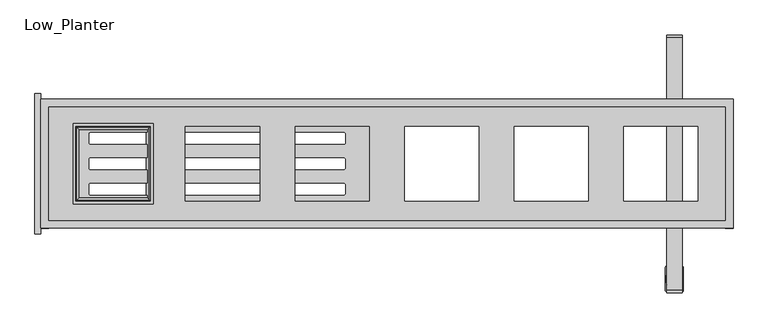
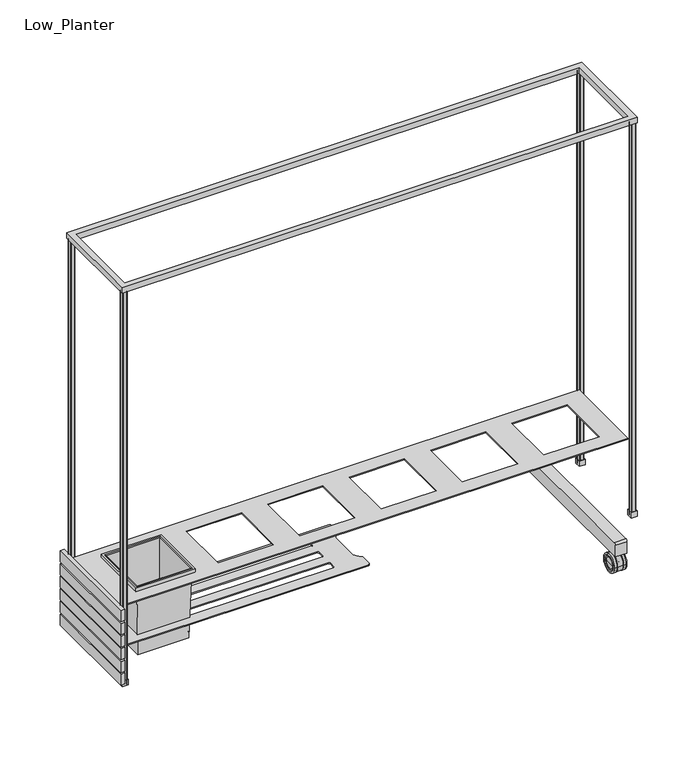
"""IFC4 building model written with IfcOpenShell, lengths in millimetres: furniture geometry, Low_Planter."""

from ifc_helpers import new_model, si_unit, point, frame, frame_2d, origin, place, context, project, spatial, polyline, circle_curve, ellipse_curve, trimmed, segment, composite_curve, outline, extrude, source, transform, mapped, element, save
from ifc_brep_helpers import plane_surface, cylinder_surface, revolved_surface, advanced_brep


def low_planter_9ff8a049(model_context):
    return source(origin(), model_context, "Body", "SolidModel", [
        advanced_brep(
        [(755.184493, -314.6583204, 33.3375), (755.184493, -275.3179942, 33.3375), (756.254365, -294.9881573, 33.3375), (755.8633212, -318.8171529, 33.3375), (755.8633212, -271.1591617, 33.3375), (757.7696196, -322.8735065, 33.3375), (757.7696196, -267.1028081, 33.3375), (754.7850467, -327.3100018, 33.3375), (754.7850467, -262.6663128, 33.3375), (746.259685, -327.3100018, 33.3375), (746.259685, -262.6663128, 33.3375), (744.9615248, -326.0118415, 33.3375), (744.9615248, -263.9644731, 33.3375), (744.9615248, -305.1400543, 33.3375), (744.9615248, -284.8362603, 33.3375), (744.0, -305.1400543, 33.3375), (744.0, -284.8362603, 33.3375), (744.0, -326.1400543, 33.3375), (744.0, -263.8362603, 33.3375), (726.0, -326.1400543, 33.3375), (726.0, -263.8362603, 33.3375), (726.0, -305.1400543, 33.3375), (726.0, -284.8362603, 33.3375), (724.9867609, -305.1400543, 33.3375), (724.9867609, -284.8362603, 33.3375), (724.9867609, -326.0118415, 33.3375), (724.9867609, -263.9644731, 33.3375), (723.6886006, -327.3100018, 33.3375), (723.6886006, -262.6663128, 33.3375), (715.163239, -327.3100018, 33.3375), (715.163239, -262.6663128, 33.3375), (712.178666, -322.8735065, 33.3375), (712.178666, -267.1028081, 33.3375), (714.0849645, -318.8171529, 33.3375), (714.0849645, -271.1591617, 33.3375), (714.7637927, -314.6583204, 33.3375), (714.7637927, -275.3179942, 33.3375), (713.6939206, -294.9881573, 33.3375)],
        [
            (0, 1, circle_curve(frame((755.184493, -294.9881573, 33.3375), z_axis=(1.0, 0.0, 0.0), x_axis=(0.0, 1.0, 0.0)), 19.6701631)),
            (1, 2, circle_curve(frame((670.0444421, -289.81299, 33.3375), z_axis=(0.0, 0.0, -1.0), x_axis=(-1.0, 0.0, 0.0)), 86.3651154)),
            (2, 0, circle_curve(frame((670.0444421, -300.1633246, 33.3375), z_axis=(0.0, 0.0, -1.0), x_axis=(-1.0, 0.0, 0.0)), 86.3651154)),
            (1, 0, circle_curve(frame((755.184493, -294.9881573, 33.3375), z_axis=(1.0, 0.0, 0.0), x_axis=(0.0, 1.0, 0.0)), 19.6701631)),
            (3, 4, circle_curve(frame((755.8633212, -294.9881573, 33.3375), z_axis=(1.0, 0.0, 0.0), x_axis=(0.0, 1.0, 0.0)), 23.8289956)),
            (4, 1, circle_curve(frame((761.5862333, -274.2281053, 33.3375), z_axis=(0.0, 0.0, 1.0), x_axis=(-1.0, 0.0, 0.0)), 6.4938538)),
            (0, 3, circle_curve(frame((761.5862333, -315.7482093, 33.3375), z_axis=(0.0, 0.0, 1.0), x_axis=(-1.0, 0.0, 0.0)), 6.4938538)),
            (4, 3, circle_curve(frame((755.8633212, -294.9881573, 33.3375), z_axis=(1.0, 0.0, 0.0), x_axis=(0.0, 1.0, 0.0)), 23.8289956)),
            (5, 6, circle_curve(frame((757.7696196, -294.9881573, 33.3375), z_axis=(1.0, 0.0, 0.0), x_axis=(0.0, 1.0, 0.0)), 27.8853492)),
            (6, 4, circle_curve(frame((718.5172692, -251.1321331, 33.3375), z_axis=(0.0, 0.0, -1.0), x_axis=(-1.0, 0.0, 0.0)), 42.3769923)),
            (3, 5, circle_curve(frame((718.5172692, -338.8441815, 33.3375), z_axis=(0.0, 0.0, -1.0), x_axis=(-1.0, 0.0, 0.0)), 42.3769923)),
            (6, 5, circle_curve(frame((757.7696196, -294.9881573, 33.3375), z_axis=(1.0, 0.0, 0.0), x_axis=(0.0, 1.0, 0.0)), 27.8853492)),
            (7, 8, circle_curve(frame((754.7850467, -294.9881573, 33.3375), z_axis=(1.0, 0.0, 0.0), x_axis=(0.0, 1.0, 0.0)), 32.3218445)),
            (8, 6, circle_curve(frame((754.7850467, -265.8884695, 33.3375), z_axis=(0.0, 0.0, -1.0), x_axis=(-1.0, 0.0, 0.0)), 3.2221567)),
            (5, 7, circle_curve(frame((754.7850467, -324.0878451, 33.3375), z_axis=(0.0, 0.0, -1.0), x_axis=(-1.0, 0.0, 0.0)), 3.2221567)),
            (8, 7, circle_curve(frame((754.7850467, -294.9881573, 33.3375), z_axis=(1.0, 0.0, 0.0), x_axis=(0.0, 1.0, 0.0)), 32.3218445)),
            (9, 10, circle_curve(frame((746.259685, -294.9881573, 33.3375), z_axis=(1.0, 0.0, 0.0), x_axis=(0.0, 1.0, 0.0)), 32.3218445)),
            (10, 8),
            (7, 9),
            (10, 9, circle_curve(frame((746.259685, -294.9881573, 33.3375), z_axis=(1.0, 0.0, 0.0), x_axis=(0.0, 1.0, 0.0)), 32.3218445)),
            (11, 12, circle_curve(frame((744.9615248, -294.9881573, 33.3375), z_axis=(1.0, 0.0, 0.0), x_axis=(0.0, 1.0, 0.0)), 31.0236842)),
            (12, 10, circle_curve(frame((746.259685, -263.9644731, 33.3375), z_axis=(0.0, 0.0, -1.0), x_axis=(-1.0, 0.0, 0.0)), 1.2981602)),
            (9, 11, circle_curve(frame((746.259685, -326.0118415, 33.3375), z_axis=(0.0, 0.0, -1.0), x_axis=(-1.0, 0.0, 0.0)), 1.2981602)),
            (12, 11, circle_curve(frame((744.9615248, -294.9881573, 33.3375), z_axis=(1.0, 0.0, 0.0), x_axis=(0.0, 1.0, 0.0)), 31.0236842)),
            (13, 14, circle_curve(frame((744.9615248, -294.9881573, 33.3375), z_axis=(1.0, 0.0, 0.0), x_axis=(0.0, 1.0, 0.0)), 10.151897)),
            (14, 12),
            (11, 13),
            (14, 13, circle_curve(frame((744.9615248, -294.9881573, 33.3375), z_axis=(1.0, 0.0, 0.0), x_axis=(0.0, 1.0, 0.0)), 10.151897)),
            (15, 16, circle_curve(frame((744.0, -294.9881573, 33.3375), z_axis=(1.0, 0.0, 0.0), x_axis=(0.0, 1.0, 0.0)), 10.151897)),
            (16, 14),
            (13, 15),
            (16, 15, circle_curve(frame((744.0, -294.9881573, 33.3375), z_axis=(1.0, 0.0, 0.0), x_axis=(0.0, 1.0, 0.0)), 10.151897)),
            (17, 18, circle_curve(frame((744.0, -294.9881573, 33.3375), z_axis=(1.0, 0.0, 0.0), x_axis=(0.0, 1.0, 0.0)), 31.151897)),
            (18, 16),
            (15, 17),
            (18, 17, circle_curve(frame((744.0, -294.9881573, 33.3375), z_axis=(1.0, 0.0, 0.0), x_axis=(0.0, 1.0, 0.0)), 31.151897)),
            (19, 20, circle_curve(frame((726.0, -294.9881573, 33.3375), z_axis=(1.0, 0.0, 0.0), x_axis=(0.0, 1.0, 0.0)), 31.151897)),
            (20, 18),
            (17, 19),
            (20, 19, circle_curve(frame((726.0, -294.9881573, 33.3375), z_axis=(1.0, 0.0, 0.0), x_axis=(0.0, 1.0, 0.0)), 31.151897)),
            (21, 22, circle_curve(frame((726.0, -294.9881573, 33.3375), z_axis=(1.0, 0.0, 0.0), x_axis=(0.0, 1.0, 0.0)), 10.151897)),
            (22, 20),
            (19, 21),
            (22, 21, circle_curve(frame((726.0, -294.9881573, 33.3375), z_axis=(1.0, 0.0, 0.0), x_axis=(0.0, 1.0, 0.0)), 10.151897)),
            (23, 24, circle_curve(frame((724.9867609, -294.9881573, 33.3375), z_axis=(1.0, 0.0, 0.0), x_axis=(0.0, 1.0, 0.0)), 10.151897)),
            (24, 22),
            (21, 23),
            (24, 23, circle_curve(frame((724.9867609, -294.9881573, 33.3375), z_axis=(1.0, 0.0, 0.0), x_axis=(0.0, 1.0, 0.0)), 10.151897)),
            (25, 26, circle_curve(frame((724.9867609, -294.9881573, 33.3375), z_axis=(1.0, 0.0, 0.0), x_axis=(0.0, 1.0, 0.0)), 31.0236842)),
            (26, 24),
            (23, 25),
            (26, 25, circle_curve(frame((724.9867609, -294.9881573, 33.3375), z_axis=(1.0, 0.0, 0.0), x_axis=(0.0, 1.0, 0.0)), 31.0236842)),
            (27, 28, circle_curve(frame((723.6886006, -294.9881573, 33.3375), z_axis=(1.0, 0.0, 0.0), x_axis=(0.0, 1.0, 0.0)), 32.3218445)),
            (28, 26, circle_curve(frame((723.6886006, -263.9644731, 33.3375), z_axis=(0.0, 0.0, -1.0), x_axis=(1.0, 0.0, 0.0)), 1.2981602)),
            (25, 27, circle_curve(frame((723.6886006, -326.0118415, 33.3375), z_axis=(0.0, 0.0, -1.0), x_axis=(1.0, 0.0, 0.0)), 1.2981602)),
            (28, 27, circle_curve(frame((723.6886006, -294.9881573, 33.3375), z_axis=(1.0, 0.0, 0.0), x_axis=(0.0, 1.0, 0.0)), 32.3218445)),
            (29, 30, circle_curve(frame((715.163239, -294.9881573, 33.3375), z_axis=(1.0, 0.0, 0.0), x_axis=(0.0, 1.0, 0.0)), 32.3218445)),
            (30, 28),
            (27, 29),
            (30, 29, circle_curve(frame((715.163239, -294.9881573, 33.3375), z_axis=(1.0, 0.0, 0.0), x_axis=(0.0, 1.0, 0.0)), 32.3218445)),
            (31, 32, circle_curve(frame((712.178666, -294.9881573, 33.3375), z_axis=(1.0, 0.0, 0.0), x_axis=(0.0, 1.0, 0.0)), 27.8853492)),
            (32, 30, circle_curve(frame((715.163239, -265.8884695, 33.3375), z_axis=(0.0, 0.0, -1.0), x_axis=(1.0, 0.0, 0.0)), 3.2221567)),
            (29, 31, circle_curve(frame((715.163239, -324.0878451, 33.3375), z_axis=(0.0, 0.0, -1.0), x_axis=(1.0, 0.0, 0.0)), 3.2221567)),
            (32, 31, circle_curve(frame((712.178666, -294.9881573, 33.3375), z_axis=(1.0, 0.0, 0.0), x_axis=(0.0, 1.0, 0.0)), 27.8853492)),
            (33, 34, circle_curve(frame((714.0849645, -294.9881573, 33.3375), z_axis=(1.0, 0.0, 0.0), x_axis=(0.0, 1.0, 0.0)), 23.8289956)),
            (34, 32, circle_curve(frame((751.4310165, -251.1321331, 33.3375), z_axis=(0.0, 0.0, -1.0), x_axis=(1.0, 0.0, 0.0)), 42.3769923)),
            (31, 33, circle_curve(frame((751.4310165, -338.8441815, 33.3375), z_axis=(0.0, 0.0, -1.0), x_axis=(1.0, 0.0, 0.0)), 42.3769923)),
            (34, 33, circle_curve(frame((714.0849645, -294.9881573, 33.3375), z_axis=(1.0, 0.0, 0.0), x_axis=(0.0, 1.0, 0.0)), 23.8289956)),
            (35, 36, circle_curve(frame((714.7637927, -294.9881573, 33.3375), z_axis=(1.0, 0.0, 0.0), x_axis=(0.0, 1.0, 0.0)), 19.6701631)),
            (36, 34, circle_curve(frame((708.3620524, -274.2281053, 33.3375), z_axis=(0.0, 0.0, 1.0), x_axis=(1.0, 0.0, 0.0)), 6.4938538)),
            (33, 35, circle_curve(frame((708.3620524, -315.7482093, 33.3375), z_axis=(0.0, 0.0, 1.0), x_axis=(1.0, 0.0, 0.0)), 6.4938538)),
            (36, 35, circle_curve(frame((714.7637927, -294.9881573, 33.3375), z_axis=(1.0, 0.0, 0.0), x_axis=(0.0, 1.0, 0.0)), 19.6701631)),
            (37, 36, circle_curve(frame((799.9038436, -289.81299, 33.3375), z_axis=(0.0, 0.0, -1.0), x_axis=(1.0, 0.0, 0.0)), 86.3651154)),
            (35, 37, circle_curve(frame((799.9038436, -300.1633246, 33.3375), z_axis=(0.0, 0.0, -1.0), x_axis=(1.0, 0.0, 0.0)), 86.3651154)),
        ],
        [
            revolved_surface(trimmed(ellipse_curve(frame((670.0444421, -289.81299, 33.3375), z_axis=(0.0, 0.0, 1.0), x_axis=(-1.0, 0.0, 0.0)), 86.3651154, 86.3651154), [point((756.254365, -294.9881573, 33.3375))], [point((755.184493, -275.3179942, 33.3375))], True, "CARTESIAN"), (735.8288688, -294.9881573, 33.3375), (-1.0, 0.0, 0.0)),
            revolved_surface(trimmed(ellipse_curve(frame((761.5862333, -274.2281053, 33.3375), z_axis=(0.0, 0.0, -1.0), x_axis=(-1.0, 0.0, 0.0)), 6.4938538, 6.4938538), [point((755.184493, -275.3179942, 33.3375))], [point((755.8633212, -271.1591617, 33.3375))], True, "CARTESIAN"), (735.8288688, -294.9881573, 33.3375), (-1.0, 0.0, 0.0)),
            revolved_surface(trimmed(ellipse_curve(frame((718.5172692, -251.1321331, 33.3375), z_axis=(0.0, 0.0, 1.0), x_axis=(-1.0, 0.0, 0.0)), 42.3769923, 42.3769923), [point((755.8633212, -271.1591617, 33.3375))], [point((757.7696196, -267.1028081, 33.3375))], True, "CARTESIAN"), (735.8288688, -294.9881573, 33.3375), (-1.0, 0.0, 0.0)),
            revolved_surface(trimmed(ellipse_curve(frame((754.7850467, -265.8884695, 33.3375), z_axis=(0.0, 0.0, 1.0), x_axis=(-1.0, 0.0, 0.0)), 3.2221567, 3.2221567), [point((757.7696196, -267.1028081, 33.3375))], [point((754.7850467, -262.6663128, 33.3375))], True, "CARTESIAN"), (735.8288688, -294.9881573, 33.3375), (-1.0, 0.0, 0.0)),
            cylinder_surface(frame((735.8288688, -294.9881573, 33.3375), z_axis=(-1.0, 0.0, 0.0), x_axis=(0.0, 1.0, 0.0)), 32.3218445),
            revolved_surface(trimmed(ellipse_curve(frame((746.259685, -263.9644731, 33.3375), z_axis=(0.0, 0.0, 1.0), x_axis=(-1.0, 0.0, 0.0)), 1.2981602, 1.2981602), [point((746.259685, -262.6663128, 33.3375))], [point((744.9615248, -263.9644731, 33.3375))], True, "CARTESIAN"), (735.8288688, -294.9881573, 33.3375), (-1.0, 0.0, 0.0)),
            plane_surface(frame((744.9615248, -294.9881573, 33.3375), z_axis=(-1.0, 0.0, 0.0), x_axis=(0.0, 1.0, 0.0))),
            cylinder_surface(frame((735.8288688, -294.9881573, 33.3375), z_axis=(-1.0, 0.0, 0.0), x_axis=(0.0, 1.0, 0.0)), 10.151897),
            plane_surface(frame((744.0, -294.9881573, 33.3375), z_axis=(1.0, 0.0, 0.0), x_axis=(0.0, 1.0, 0.0))),
            cylinder_surface(frame((735.8288688, -294.9881573, 33.3375), z_axis=(-1.0, 0.0, 0.0), x_axis=(0.0, 1.0, 0.0)), 31.151897),
            plane_surface(frame((726.0, -294.9881573, 33.3375), z_axis=(-1.0, 0.0, 0.0), x_axis=(0.0, 1.0, 0.0))),
            plane_surface(frame((724.9867609, -294.9881573, 33.3375), z_axis=(1.0, 0.0, 0.0), x_axis=(0.0, 1.0, 0.0))),
            revolved_surface(trimmed(ellipse_curve(frame((723.6886006, -263.9644731, 33.3375), z_axis=(0.0, 0.0, 1.0), x_axis=(1.0, 0.0, 0.0)), 1.2981602, 1.2981602), [point((724.9867609, -263.9644731, 33.3375))], [point((723.6886006, -262.6663128, 33.3375))], True, "CARTESIAN"), (735.8288688, -294.9881573, 33.3375), (-1.0, 0.0, 0.0)),
            revolved_surface(trimmed(ellipse_curve(frame((715.163239, -265.8884695, 33.3375), z_axis=(0.0, 0.0, 1.0), x_axis=(1.0, 0.0, 0.0)), 3.2221567, 3.2221567), [point((715.163239, -262.6663128, 33.3375))], [point((712.178666, -267.1028081, 33.3375))], True, "CARTESIAN"), (735.8288688, -294.9881573, 33.3375), (-1.0, 0.0, 0.0)),
            revolved_surface(trimmed(ellipse_curve(frame((751.4310165, -251.1321331, 33.3375), z_axis=(0.0, 0.0, 1.0), x_axis=(1.0, 0.0, 0.0)), 42.3769923, 42.3769923), [point((712.178666, -267.1028081, 33.3375))], [point((714.0849645, -271.1591617, 33.3375))], True, "CARTESIAN"), (735.8288688, -294.9881573, 33.3375), (-1.0, 0.0, 0.0)),
            revolved_surface(trimmed(ellipse_curve(frame((708.3620524, -274.2281053, 33.3375), z_axis=(0.0, 0.0, -1.0), x_axis=(1.0, 0.0, 0.0)), 6.4938538, 6.4938538), [point((714.0849645, -271.1591617, 33.3375))], [point((714.7637927, -275.3179942, 33.3375))], True, "CARTESIAN"), (735.8288688, -294.9881573, 33.3375), (-1.0, 0.0, 0.0)),
            revolved_surface(trimmed(ellipse_curve(frame((799.9038436, -289.81299, 33.3375), z_axis=(0.0, 0.0, 1.0), x_axis=(1.0, 0.0, 0.0)), 86.3651154, 86.3651154), [point((714.7637927, -275.3179942, 33.3375))], [point((713.6939206, -294.9881573, 33.3375))], True, "CARTESIAN"), (735.8288688, -294.9881573, 33.3375), (-1.0, 0.0, 0.0)),
        ],
        [
            (0, [[1, 2, 3]]),
            (0, [[4, -3, -2]]),
            (1, [[5, 6, -1, 7]]),
            (1, [[8, -7, -4, -6]]),
            (2, [[9, 10, -5, 11]]),
            (2, [[12, -11, -8, -10]]),
            (3, [[13, 14, -9, 15]]),
            (3, [[16, -15, -12, -14]]),
            (4, [[17, 18, -13, 19]]),
            (4, [[20, -19, -16, -18]]),
            (5, [[21, 22, -17, 23]]),
            (5, [[24, -23, -20, -22]]),
            (6, [[25, 26, -21, 27]]),
            (6, [[28, -27, -24, -26]]),
            (7, [[29, 30, -25, 31]]),
            (7, [[32, -31, -28, -30]]),
            (8, [[33, 34, -29, 35]]),
            (8, [[36, -35, -32, -34]]),
            (9, [[37, 38, -33, 39]]),
            (9, [[40, -39, -36, -38]]),
            (10, [[41, 42, -37, 43]]),
            (10, [[44, -43, -40, -42]]),
            (7, [[45, 46, -41, 47]]),
            (7, [[48, -47, -44, -46]]),
            (11, [[49, 50, -45, 51]]),
            (11, [[52, -51, -48, -50]]),
            (12, [[53, 54, -49, 55]]),
            (12, [[56, -55, -52, -54]]),
            (4, [[57, 58, -53, 59]]),
            (4, [[60, -59, -56, -58]]),
            (13, [[61, 62, -57, 63]]),
            (13, [[64, -63, -60, -62]]),
            (14, [[65, 66, -61, 67]]),
            (14, [[68, -67, -64, -66]]),
            (15, [[69, 70, -65, 71]]),
            (15, [[72, -71, -68, -70]]),
            (16, [[73, -69, 74]]),
            (16, [[-74, -72, -73]]),
        ],
    ),
        extrude(outline(composite_curve([segment(polyline([(-250.0, 76.4987302), (250.0, 76.4987302), (250.0, 74.9637326)]), True, "CONTINUOUS"), segment(trimmed(circle_curve(frame_2d((245.0, 74.9637326)), 5.0), [point((250.0, 74.9637326))], [point((246.7556172, 70.2820867))], False, "CARTESIAN"), True, "CONTINUOUS"), segment(polyline([(246.7556172, 70.2820867), (210.0, 56.4987302), (-210.1895526, 56.4987302), (-246.5320214, 70.127156)]), True, "CONTINUOUS"), segment(trimmed(circle_curve(frame_2d((-244.6554109, 75.1314508)), 5.3445891), [point((-246.5320214, 70.127156))], [point((-250.0, 75.1314508))], False, "CARTESIAN"), True, "CONTINUOUS"), segment(polyline([(-250.0, 75.1314508), (-250.0, 76.4987302)]), True, "CONTINUOUS")], self_intersect=False)), frame((731.767842, 0.0, 0.0), z_axis=(1.0, 0.0, 0.0), x_axis=(0.0, 1.0, 0.0)), (0.0, 0.0, 1.0), 6.1074091),
        extrude(outline(composite_curve([segment(polyline([(-323.65, 124.6649475), (323.5383968, 124.6649475)]), True, "CONTINUOUS"), segment(trimmed(circle_curve(frame_2d((323.5383968, 118.3149475)), 6.35), [point((323.5383968, 124.6649475))], [point((329.8883968, 118.3149475))], False, "CARTESIAN"), True, "CONTINUOUS"), segment(polyline([(329.8883968, 118.3149475), (329.8883968, 76.4987302), (-7.0746988, 76.4987302), (-330.0, 76.4987302), (-330.0, 118.3149475)]), True, "CONTINUOUS"), segment(trimmed(circle_curve(frame_2d((-323.65, 118.3149475)), 6.35), [point((-330.0, 118.3149475))], [point((-323.65, 124.6649475))], False, "CARTESIAN"), True, "CONTINUOUS")], self_intersect=False)), frame((715.0, 0.0, 0.0), z_axis=(1.0, 0.0, 0.0), x_axis=(0.0, 1.0, 0.0)), (0.0, 0.0, 1.0), 39.7344665),
        extrude(outline(polyline([(-865.0, 165.0), (-865.0, 145.0), (-885.0, 145.0), (-885.0, 165.0), (-865.0, 165.0)]), holes=[polyline([(-866.5, 163.5), (-883.5, 163.5), (-883.5, 146.5), (-866.5, 146.5), (-866.5, 163.5)])]), frame((0.0, 0.0, 64.4987302), z_axis=(0.0, 0.0, 1.0), x_axis=(1.0, 0.0, 0.0)), (0.0, 0.0, 1.0), 19.5),
        extrude(outline(polyline([(-865.0, -165.0), (-885.0, -165.0), (-885.0, -145.0), (-865.0, -145.0), (-865.0, -165.0)]), holes=[polyline([(-866.5, -163.5), (-866.5, -146.5), (-883.5, -146.5), (-883.5, -163.5), (-866.5, -163.5)])]), frame((0.0, 0.0, 64.4987302), z_axis=(0.0, 0.0, 1.0), x_axis=(1.0, 0.0, 0.0)), (0.0, 0.0, 1.0), 19.5),
        extrude(outline(polyline([(865.0, 165.0), (885.0, 165.0), (885.0, 145.0), (865.0, 145.0), (865.0, 165.0)]), holes=[polyline([(866.5, 163.5), (866.5, 146.5), (883.5, 146.5), (883.5, 163.5), (866.5, 163.5)])]), frame((0.0, 0.0, 64.4987302), z_axis=(0.0, 0.0, 1.0), x_axis=(1.0, 0.0, 0.0)), (0.0, 0.0, 1.0), 19.5),
        extrude(outline(polyline([(865.0, -165.0), (865.0, -145.0), (885.0, -145.0), (885.0, -165.0), (865.0, -165.0)]), holes=[polyline([(866.5, -163.5), (883.5, -163.5), (883.5, -146.5), (866.5, -146.5), (866.5, -163.5)])]), frame((0.0, 0.0, 64.4987302), z_axis=(0.0, 0.0, 1.0), x_axis=(1.0, 0.0, 0.0)), (0.0, 0.0, 1.0), 19.5),
        advanced_brep(
        [(-599.8170914, 100.1829086, 352.4436917), (-599.4853441, 100.5146559, 342.9436917), (-599.4853441, -100.5146559, 342.9436917), (-599.8170914, -100.1829086, 352.4436917), (-605.5409135, 94.4590865, 350.2723738), (-603.3126853, 96.6873147, 352.4436917), (-603.3126853, -96.6873147, 352.4436917), (-605.5409135, -94.4590865, 350.2723738), (-612.031188, 87.968812, 99.4436917), (-612.031188, -87.968812, 99.4436917), (-607.4617098, 92.5382902, 352.2816601), (-614.8527573, 85.1472427, 99.4436917), (-614.8527573, -85.1472427, 99.4436917), (-607.4617098, -92.5382902, 352.2816601), (-604.6627452, 95.3372548, 355.0), (-604.6627452, -95.3372548, 355.0), (-597.484125, 102.515875, 342.9436917), (-597.484125, 102.515875, 355.0), (-597.484125, -102.515875, 355.0), (-597.484125, -102.515875, 342.9436917), (-800.5146559, -100.5146559, 342.9436917), (-800.1829086, -100.1829086, 352.4436917), (-796.6873147, -96.6873147, 352.4436917), (-794.4590865, -94.4590865, 350.2723738), (-787.968812, -87.968812, 99.4436917), (-785.1472427, -85.1472427, 99.4436917), (-792.5382902, -92.5382902, 352.2816601), (-795.3372548, -95.3372548, 355.0), (-802.515875, -102.515875, 355.0), (-802.515875, -102.515875, 342.9436917), (-800.5146559, 100.5146559, 342.9436917), (-800.1829086, 100.1829086, 352.4436917), (-796.6873147, 96.6873147, 352.4436917), (-794.4590865, 94.4590865, 350.2723738), (-787.968812, 87.968812, 99.4436917), (-785.1472427, 85.1472427, 99.4436917), (-792.5382902, 92.5382902, 352.2816601), (-795.3372548, 95.3372548, 355.0), (-802.515875, 102.515875, 355.0), (-802.515875, 102.515875, 342.9436917)],
        [
            (0, 1),
            (1, 2),
            (2, 3),
            (3, 0),
            (4, 5, ellipse_curve(frame((-603.3126853, 96.6873147, 350.2147177), z_axis=(-0.7071067811865475, 0.7071067811865475, 0.0), x_axis=(-0.7071067811865474, -0.7071067811865476, 0.0)), 3.1522453, 2.228974)),
            (5, 6),
            (6, 7, ellipse_curve(frame((-603.3126853, -96.6873147, 350.2147177), z_axis=(-0.7071067811865475, -0.7071067811865475, 0.0), x_axis=(0.7071067811865474, -0.7071067811865476, 0.0)), 3.1522453, 2.228974)),
            (7, 4),
            (8, 4),
            (7, 9),
            (9, 8),
            (10, 11),
            (11, 12),
            (12, 13),
            (13, 10),
            (14, 10, ellipse_curve(frame((-604.6627452, 95.3372548, 352.1998398), z_axis=(0.7071067811865475, -0.7071067811865475, 0.0), x_axis=(0.7071067811865474, 0.7071067811865476, 0.0)), 3.9600246, 2.8001602)),
            (13, 15, ellipse_curve(frame((-604.6627452, -95.3372548, 352.1998398), z_axis=(0.7071067811865475, 0.7071067811865475, 0.0), x_axis=(-0.7071067811865474, 0.7071067811865476, 0.0)), 3.9600246, 2.8001602)),
            (15, 14),
            (16, 17),
            (17, 18),
            (18, 19),
            (19, 16),
            (2, 20),
            (20, 21),
            (21, 3),
            (6, 22),
            (22, 23, ellipse_curve(frame((-796.6873147, -96.6873147, 350.2147177), z_axis=(-0.7071067811865475, 0.7071067811865475, 0.0), x_axis=(-0.7071067811865476, -0.7071067811865474, 0.0)), 3.1522453, 2.228974)),
            (23, 7),
            (23, 24),
            (24, 9),
            (12, 25),
            (25, 26),
            (26, 13),
            (26, 27, ellipse_curve(frame((-795.3372548, -95.3372548, 352.1998398), z_axis=(0.7071067811865475, -0.7071067811865475, 0.0), x_axis=(0.7071067811865476, 0.7071067811865474, 0.0)), 3.9600246, 2.8001602)),
            (27, 15),
            (18, 28),
            (28, 29),
            (29, 19),
            (20, 30),
            (30, 31),
            (31, 21),
            (22, 32),
            (32, 33, ellipse_curve(frame((-796.6873147, 96.6873147, 350.2147177), z_axis=(0.7071067811865475, 0.7071067811865475, 0.0), x_axis=(-0.7071067811865474, 0.7071067811865476, 0.0)), 3.1522453, 2.228974)),
            (33, 23),
            (33, 34),
            (34, 24),
            (25, 35),
            (35, 36),
            (36, 26),
            (36, 37, ellipse_curve(frame((-795.3372548, 95.3372548, 352.1998398), z_axis=(-0.7071067811865475, -0.7071067811865475, 0.0), x_axis=(0.7071067811865474, -0.7071067811865476, 0.0)), 3.9600246, 2.8001602)),
            (37, 27),
            (28, 38),
            (38, 39),
            (39, 29),
            (39, 16),
            (1, 30),
            (0, 31),
            (5, 32),
            (4, 33),
            (8, 34),
            (11, 35),
            (10, 36),
            (14, 37),
            (17, 38),
        ],
        [
            plane_surface(frame((-599.4853441, 100.5146559, 342.9436917), z_axis=(-0.9993908270190965, 0.0, -0.03489949670247725), x_axis=(0.0, -1.0, 0.0))),
            revolved_surface(polyline([(-601.0837113, -98.91628872759341, 350.2147177), (-601.0837113, 98.91628872759343, 350.2147177)]), (-603.3126853, 85.094, 350.2147177), (0.0, -1.0, 0.0)),
            plane_surface(frame((-605.5409135, 94.4590865, 350.2723738), z_axis=(0.9996654016980265, 0.0, -0.025866670599890333), x_axis=(0.0, -1.0, 0.0))),
            plane_surface(frame((-614.8527573, 85.1472427, 99.4436917), z_axis=(-0.9995730085530367, 0.0, 0.02921986605429452), x_axis=(0.0, -1.0, 0.0))),
            cylinder_surface(frame((-604.6627452, 85.094, 352.1998398), z_axis=(0.0, 1.0, 0.0), x_axis=(1.0, 0.0, 0.0)), 2.8001602),
            plane_surface(frame((-597.484125, 102.515875, 355.0), z_axis=(1.0, 0.0, 0.0), x_axis=(0.0, -1.0, 0.0))),
            plane_surface(frame((-599.4853441, -100.5146559, 342.9436917), z_axis=(0.0, 0.9993908270190961, -0.03489949670249076), x_axis=(-1.0, 0.0, 0.0))),
            revolved_surface(polyline([(-798.9162887275934, -98.9162887, 350.2147177), (-601.0837112724066, -98.9162887, 350.2147177)]), (-614.906, -96.6873147, 350.2147177), (-1.0, 0.0, 0.0)),
            plane_surface(frame((-605.5409135, -94.4590865, 350.2723738), z_axis=(0.0, -0.999665401698027, -0.02586667059987682), x_axis=(-1.0, 0.0, 0.0))),
            plane_surface(frame((-614.8527573, -85.1472427, 99.4436917), z_axis=(0.0, 0.9995730085530371, 0.029219866054281007), x_axis=(-1.0, 0.0, 0.0))),
            cylinder_surface(frame((-614.906, -95.3372548, 352.1998398), z_axis=(1.0, 0.0, 0.0), x_axis=(0.0, -1.0, 0.0)), 2.8001602),
            plane_surface(frame((-597.484125, -102.515875, 355.0), z_axis=(0.0, -1.0, 0.0), x_axis=(-1.0, 0.0, 0.0))),
            plane_surface(frame((-800.5146559, -100.5146559, 342.9436917), z_axis=(0.9993908270190957, 0.0, -0.03489949670250427), x_axis=(0.0, 1.0, 0.0))),
            revolved_surface(polyline([(-798.9162887, 98.91628872759341, 350.2147177), (-798.9162887, -98.91628872759343, 350.2147177)]), (-796.6873147, -85.094, 350.2147177), (0.0, 1.0, 0.0)),
            plane_surface(frame((-794.4590865, -94.4590865, 350.2723738), z_axis=(-0.9996654016980273, 0.0, -0.025866670599863303), x_axis=(0.0, 1.0, 0.0))),
            plane_surface(frame((-785.1472427, -85.1472427, 99.4436917), z_axis=(0.9995730085530375, 0.0, 0.029219866054267494), x_axis=(0.0, 1.0, 0.0))),
            cylinder_surface(frame((-795.3372548, -85.094, 352.1998398), z_axis=(0.0, -1.0, 0.0), x_axis=(-1.0, 0.0, 0.0)), 2.8001602),
            plane_surface(frame((-802.515875, -102.515875, 355.0), z_axis=(-1.0, 0.0, 0.0), x_axis=(0.0, 1.0, 0.0))),
            plane_surface(frame((-802.515875, 102.515875, 342.9436917), z_axis=(0.0, 0.0, -1.0), x_axis=(1.0, 0.0, 0.0))),
            plane_surface(frame((-800.5146559, 100.5146559, 342.9436917), z_axis=(0.0, -0.9993908270190961, -0.03489949670249076), x_axis=(1.0, 0.0, 0.0))),
            plane_surface(frame((-800.1829086, 100.1829086, 352.4436917), z_axis=(0.0, 0.0, -1.0), x_axis=(1.0, 0.0, 0.0))),
            revolved_surface(polyline([(-601.0837112724066, 98.9162887, 350.2147177), (-798.9162887275934, 98.9162887, 350.2147177)]), (-785.094, 96.6873147, 350.2147177), (1.0, 0.0, 0.0)),
            plane_surface(frame((-794.4590865, 94.4590865, 350.2723738), z_axis=(0.0, 0.999665401698027, -0.02586667059987682), x_axis=(1.0, 0.0, 0.0))),
            plane_surface(frame((-787.968812, 87.968812, 99.4436917), z_axis=(0.0, 0.0, -1.0), x_axis=(1.0, 0.0, 0.0))),
            plane_surface(frame((-785.1472427, 85.1472427, 99.4436917), z_axis=(0.0, -0.9995730085530371, 0.029219866054281007), x_axis=(1.0, 0.0, 0.0))),
            cylinder_surface(frame((-785.094, 95.3372548, 352.1998398), z_axis=(-1.0, 0.0, 0.0), x_axis=(0.0, 1.0, 0.0)), 2.8001602),
            plane_surface(frame((-795.3372548, 95.3372548, 355.0), z_axis=(0.0, 0.0, 1.0), x_axis=(1.0, 0.0, 0.0))),
            plane_surface(frame((-802.515875, 102.515875, 355.0), z_axis=(0.0, 1.0, 0.0), x_axis=(1.0, 0.0, 0.0))),
        ],
        [
            (0, [[1, 2, 3, 4]]),
            (1, [[5, 6, 7, 8]]),
            (2, [[9, -8, 10, 11]]),
            (3, [[12, 13, 14, 15]]),
            (4, [[16, -15, 17, 18]]),
            (5, [[19, 20, 21, 22]]),
            (6, [[-3, 23, 24, 25]]),
            (7, [[-7, 26, 27, 28]]),
            (8, [[-10, -28, 29, 30]]),
            (9, [[-14, 31, 32, 33]]),
            (10, [[-17, -33, 34, 35]]),
            (11, [[-21, 36, 37, 38]]),
            (12, [[-24, 39, 40, 41]]),
            (13, [[-27, 42, 43, 44]]),
            (14, [[-29, -44, 45, 46]]),
            (15, [[-32, 47, 48, 49]]),
            (16, [[-34, -49, 50, 51]]),
            (17, [[-37, 52, 53, 54]]),
            (18, [[-38, -54, 55, -22], [56, -39, -23, -2]]),
            (19, [[-40, -56, -1, 57]]),
            (20, [[-25, -41, -57, -4], [58, -42, -26, -6]]),
            (21, [[-43, -58, -5, 59]]),
            (22, [[-45, -59, -9, 60]]),
            (23, [[-30, -46, -60, -11], [61, -47, -31, -13]]),
            (24, [[-48, -61, -12, 62]]),
            (25, [[-50, -62, -16, 63]]),
            (26, [[64, -52, -36, -20], [-35, -51, -63, -18]]),
            (27, [[-53, -64, -19, -55]]),
        ],
    ),
        extrude(outline(composite_curve([segment(trimmed(circle_curve(frame_2d((-11.379763, 114.120237)), 4.879763), [point((-11.379763, 119.0))], [point((-6.5, 114.120237))], False, "CARTESIAN"), True, "CONTINUOUS"), segment(polyline([(-6.5, 114.120237), (-6.5, 77.6302561)]), True, "CONTINUOUS"), segment(trimmed(circle_curve(frame_2d((-12.85, 77.6302561)), 6.35), [point((-6.5, 77.6302561))], [point((-8.3598719, 73.1401281))], False, "CARTESIAN"), True, "CONTINUOUS"), segment(polyline([(-8.3598719, 73.1401281), (-20.9203842, 60.5796158)]), True, "CONTINUOUS"), segment(trimmed(circle_curve(frame_2d((-7.45, 47.1092316)), 19.05), [point((-20.9203842, 60.5796158))], [point((-26.5, 47.1092316))], True, "CARTESIAN"), True, "CONTINUOUS"), segment(polyline([(-26.5, 47.1092316), (-26.5, -47.1092316)]), True, "CONTINUOUS"), segment(trimmed(circle_curve(frame_2d((-7.45, -47.1092316)), 19.05), [point((-26.5, -47.1092316))], [point((-20.9203842, -60.5796158))], True, "CARTESIAN"), True, "CONTINUOUS"), segment(polyline([(-20.9203842, -60.5796158), (-8.3598719, -73.1401281)]), True, "CONTINUOUS"), segment(trimmed(circle_curve(frame_2d((-12.85, -77.6302561)), 6.35), [point((-8.3598719, -73.1401281))], [point((-6.5, -77.6302561))], False, "CARTESIAN"), True, "CONTINUOUS"), segment(polyline([(-6.5, -77.6302561), (-6.5, -114.120237)]), True, "CONTINUOUS"), segment(trimmed(circle_curve(frame_2d((-11.379763, -114.120237)), 4.879763), [point((-6.5, -114.120237))], [point((-11.379763, -119.0))], False, "CARTESIAN"), True, "CONTINUOUS"), segment(polyline([(-11.379763, -119.0), (-856.5, -119.0)]), True, "CONTINUOUS"), segment(trimmed(circle_curve(frame_2d((-856.5, -114.120237)), 4.879763), [point((-856.5, -119.0))], [point((-861.379763, -114.120237))], False, "CARTESIAN"), True, "CONTINUOUS"), segment(polyline([(-861.379763, -114.120237), (-861.379763, -77.6302561)]), True, "CONTINUOUS"), segment(trimmed(circle_curve(frame_2d((-855.029763, -77.6302561)), 6.35), [point((-861.379763, -77.6302561))], [point((-859.5198911, -73.1401281))], False, "CARTESIAN"), True, "CONTINUOUS"), segment(polyline([(-859.5198911, -73.1401281), (-846.9593788, -60.5796158)]), True, "CONTINUOUS"), segment(trimmed(circle_curve(frame_2d((-860.429763, -47.1092316)), 19.05), [point((-846.9593788, -60.5796158))], [point((-841.379763, -47.1092316))], True, "CARTESIAN"), True, "CONTINUOUS"), segment(polyline([(-841.379763, -47.1092316), (-841.379763, 47.1092316)]), True, "CONTINUOUS"), segment(trimmed(circle_curve(frame_2d((-860.429763, 47.1092316)), 19.05), [point((-841.379763, 47.1092316))], [point((-846.9593788, 60.5796158))], True, "CARTESIAN"), True, "CONTINUOUS"), segment(polyline([(-846.9593788, 60.5796158), (-859.5198911, 73.1401281)]), True, "CONTINUOUS"), segment(trimmed(circle_curve(frame_2d((-855.029763, 77.6302561)), 6.35), [point((-859.5198911, 73.1401281))], [point((-861.379763, 77.6302561))], False, "CARTESIAN"), True, "CONTINUOUS"), segment(polyline([(-861.379763, 77.6302561), (-861.379763, 114.120237)]), True, "CONTINUOUS"), segment(trimmed(circle_curve(frame_2d((-856.5, 114.120237)), 4.879763), [point((-861.379763, 114.120237))], [point((-856.5, 119.0))], False, "CARTESIAN"), True, "CONTINUOUS"), segment(polyline([(-856.5, 119.0), (-11.379763, 119.0)]), True, "CONTINUOUS")], self_intersect=False), holes=[composite_curve([segment(polyline([(-110.9316348, 80.0), (-756.9052758, 80.0)]), True, "CONTINUOUS"), segment(trimmed(circle_curve(frame_2d((-756.9052758, 75.7102758)), 4.2897242), [point((-756.9052758, 80.0))], [point((-761.195, 75.7102758))], True, "CARTESIAN"), True, "CONTINUOUS"), segment(polyline([(-761.195, 75.7102758), (-761.195, 54.072748)]), True, "CONTINUOUS"), segment(trimmed(circle_curve(frame_2d((-757.122252, 54.072748)), 4.072748), [point((-761.195, 54.072748))], [point((-757.122252, 50.0))], True, "CARTESIAN"), True, "CONTINUOUS"), segment(polyline([(-757.122252, 50.0), (-110.7992518, 50.0)]), True, "CONTINUOUS"), segment(trimmed(circle_curve(frame_2d((-110.7992518, 53.9942518)), 3.9942518), [point((-110.7992518, 50.0))], [point((-106.805, 53.9942518))], True, "CARTESIAN"), True, "CONTINUOUS"), segment(polyline([(-106.805, 53.9942518), (-106.805, 75.8733652)]), True, "CONTINUOUS"), segment(trimmed(circle_curve(frame_2d((-110.9316348, 75.8733652)), 4.1266348), [point((-106.805, 75.8733652))], [point((-110.9316348, 80.0))], True, "CARTESIAN"), True, "CONTINUOUS")], self_intersect=False), composite_curve([segment(polyline([(-110.9316348, 15.0), (-756.9052758, 15.0)]), True, "CONTINUOUS"), segment(trimmed(circle_curve(frame_2d((-756.9052758, 10.7102758)), 4.2897242), [point((-756.9052758, 15.0))], [point((-761.195, 10.7102758))], True, "CARTESIAN"), True, "CONTINUOUS"), segment(polyline([(-761.195, 10.7102758), (-761.195, -10.927252)]), True, "CONTINUOUS"), segment(trimmed(circle_curve(frame_2d((-757.122252, -10.927252)), 4.072748), [point((-761.195, -10.927252))], [point((-757.122252, -15.0))], True, "CARTESIAN"), True, "CONTINUOUS"), segment(polyline([(-757.122252, -15.0), (-110.7992518, -15.0)]), True, "CONTINUOUS"), segment(trimmed(circle_curve(frame_2d((-110.7992518, -11.0057482)), 3.9942518), [point((-110.7992518, -15.0))], [point((-106.805, -11.0057482))], True, "CARTESIAN"), True, "CONTINUOUS"), segment(polyline([(-106.805, -11.0057482), (-106.805, 10.8733652)]), True, "CONTINUOUS"), segment(trimmed(circle_curve(frame_2d((-110.9316348, 10.8733652)), 4.1266348), [point((-106.805, 10.8733652))], [point((-110.9316348, 15.0))], True, "CARTESIAN"), True, "CONTINUOUS")], self_intersect=False), composite_curve([segment(polyline([(-110.9316348, -50.0), (-756.9052758, -50.0)]), True, "CONTINUOUS"), segment(trimmed(circle_curve(frame_2d((-756.9052758, -54.2897242)), 4.2897242), [point((-756.9052758, -50.0))], [point((-761.195, -54.2897242))], True, "CARTESIAN"), True, "CONTINUOUS"), segment(polyline([(-761.195, -54.2897242), (-761.195, -75.927252)]), True, "CONTINUOUS"), segment(trimmed(circle_curve(frame_2d((-757.122252, -75.927252)), 4.072748), [point((-761.195, -75.927252))], [point((-757.122252, -80.0))], True, "CARTESIAN"), True, "CONTINUOUS"), segment(polyline([(-757.122252, -80.0), (-110.7992518, -80.0)]), True, "CONTINUOUS"), segment(trimmed(circle_curve(frame_2d((-110.7992518, -76.0057482)), 3.9942518), [point((-110.7992518, -80.0))], [point((-106.805, -76.0057482))], True, "CARTESIAN"), True, "CONTINUOUS"), segment(polyline([(-106.805, -76.0057482), (-106.805, -54.1266348)]), True, "CONTINUOUS"), segment(trimmed(circle_curve(frame_2d((-110.9316348, -54.1266348)), 4.1266348), [point((-106.805, -54.1266348))], [point((-110.9316348, -50.0))], True, "CARTESIAN"), True, "CONTINUOUS")], self_intersect=False)]), frame((0.0, 0.0, 171.0436917), z_axis=(0.0, 0.0, 1.0), x_axis=(1.0, 0.0, 0.0)), (0.0, 0.0, 1.0), 3.9),
        extrude(outline(polyline([(-885.0, 180.0), (-885.0, -180.0), (-900.0, -180.0), (-900.0, 180.0), (-885.0, 180.0)])), frame((0.0, 0.0, 314.4987302), z_axis=(0.0, 0.0, 1.0), x_axis=(1.0, 0.0, 0.0)), (0.0, 0.0, 1.0), 40.0),
        extrude(outline(polyline([(-885.0, 180.0), (-885.0, -180.0), (-900.0, -180.0), (-900.0, 180.0), (-885.0, 180.0)])), frame((0.0, 0.0, 268.4987302), z_axis=(0.0, 0.0, 1.0), x_axis=(1.0, 0.0, 0.0)), (0.0, 0.0, 1.0), 40.0),
        extrude(outline(polyline([(-885.0, 180.0), (-885.0, -180.0), (-900.0, -180.0), (-900.0, 180.0), (-885.0, 180.0)])), frame((0.0, 0.0, 222.4987302), z_axis=(0.0, 0.0, 1.0), x_axis=(1.0, 0.0, 0.0)), (0.0, 0.0, 1.0), 40.0),
        extrude(outline(polyline([(-885.0, 180.0), (-885.0, -180.0), (-900.0, -180.0), (-900.0, 180.0), (-885.0, 180.0)])), frame((0.0, 0.0, 176.4987302), z_axis=(0.0, 0.0, 1.0), x_axis=(1.0, 0.0, 0.0)), (0.0, 0.0, 1.0), 40.0),
        extrude(outline(polyline([(-885.0, 180.0), (-885.0, -180.0), (-900.0, -180.0), (-900.0, 180.0), (-885.0, 180.0)])), frame((0.0, 0.0, 130.4987302), z_axis=(0.0, 0.0, 1.0), x_axis=(1.0, 0.0, 0.0)), (0.0, 0.0, 1.0), 40.0),
        extrude(outline(polyline([(-885.0, 180.0), (-885.0, -180.0), (-900.0, -180.0), (-900.0, 180.0), (-885.0, 180.0)])), frame((0.0, 0.0, 84.4987302), z_axis=(0.0, 0.0, 1.0), x_axis=(1.0, 0.0, 0.0)), (0.0, 0.0, 1.0), 40.0),
        extrude(outline(polyline([(-876.5, 145.0), (865.0, 145.0), (865.0, -145.0), (-876.5, -145.0), (-876.5, 145.0)]), holes=[polyline([(-605.0, 95.0), (-795.0, 95.0), (-795.0, -95.0), (-605.0, -95.0), (-605.0, 95.0)]), polyline([(-325.0, 95.0), (-515.0, 95.0), (-515.0, -95.0), (-325.0, -95.0), (-325.0, 95.0)]), polyline([(-45.0, 95.0), (-235.0, 95.0), (-235.0, -95.0), (-45.0, -95.0), (-45.0, 95.0)]), polyline([(235.0, 95.0), (45.0, 95.0), (45.0, -95.0), (235.0, -95.0), (235.0, 95.0)]), polyline([(515.0, 95.0), (325.0, 95.0), (325.0, -95.0), (515.0, -95.0), (515.0, 95.0)]), polyline([(795.0, 95.0), (605.0, 95.0), (605.0, -95.0), (795.0, -95.0), (795.0, 95.0)])]), frame((0.0, 0.0, 339.9436917), z_axis=(0.0, 0.0, 1.0), x_axis=(1.0, 0.0, 0.0)), (0.0, 0.0, 1.0), 3.0),
        extrude(outline(composite_curve([segment(trimmed(circle_curve(frame_2d((-869.032, 160.968)), 2.032), [point((-869.032, 163.0))], [point((-867.0, 160.968))], False, "CARTESIAN"), True, "CONTINUOUS"), segment(polyline([(-867.0, 160.968), (-867.0, 148.9491297)]), True, "CONTINUOUS"), segment(trimmed(circle_curve(frame_2d((-868.9491297, 148.9491297)), 1.9491297), [point((-867.0, 148.9491297))], [point((-868.9491297, 147.0))], False, "CARTESIAN"), True, "CONTINUOUS"), segment(polyline([(-868.9491297, 147.0), (-880.968, 147.0)]), True, "CONTINUOUS"), segment(trimmed(circle_curve(frame_2d((-880.968, 149.032)), 2.032), [point((-880.968, 147.0))], [point((-883.0, 149.032))], False, "CARTESIAN"), True, "CONTINUOUS"), segment(polyline([(-883.0, 149.032), (-883.0, 160.968)]), True, "CONTINUOUS"), segment(trimmed(circle_curve(frame_2d((-880.968, 160.968)), 2.032), [point((-883.0, 160.968))], [point((-880.968, 163.0))], False, "CARTESIAN"), True, "CONTINUOUS"), segment(polyline([(-880.968, 163.0), (-869.032, 163.0)]), True, "CONTINUOUS")], self_intersect=False)), frame((0.0, 0.0, 65.4787593), z_axis=(0.0, 0.0, 1.0), x_axis=(1.0, 0.0, 0.0)), (0.0, 0.0, 1.0), 1429.0199709),
        extrude(outline(composite_curve([segment(polyline([(869.032, 163.0), (880.968, 163.0)]), True, "CONTINUOUS"), segment(trimmed(circle_curve(frame_2d((880.968, 160.968)), 2.032), [point((880.968, 163.0))], [point((883.0, 160.968))], False, "CARTESIAN"), True, "CONTINUOUS"), segment(polyline([(883.0, 160.968), (883.0, 149.032)]), True, "CONTINUOUS"), segment(trimmed(circle_curve(frame_2d((880.968, 149.032)), 2.032), [point((883.0, 149.032))], [point((880.968, 147.0))], False, "CARTESIAN"), True, "CONTINUOUS"), segment(polyline([(880.968, 147.0), (868.9491297, 147.0)]), True, "CONTINUOUS"), segment(trimmed(circle_curve(frame_2d((868.9491297, 148.9491297)), 1.9491297), [point((868.9491297, 147.0))], [point((867.0, 148.9491297))], False, "CARTESIAN"), True, "CONTINUOUS"), segment(polyline([(867.0, 148.9491297), (867.0, 160.968)]), True, "CONTINUOUS"), segment(trimmed(circle_curve(frame_2d((869.032, 160.968)), 2.032), [point((867.0, 160.968))], [point((869.032, 163.0))], False, "CARTESIAN"), True, "CONTINUOUS")], self_intersect=False)), frame((0.0, 0.0, 65.4787593), z_axis=(0.0, 0.0, 1.0), x_axis=(1.0, 0.0, 0.0)), (0.0, 0.0, 1.0), 1429.0199709),
        extrude(outline(composite_curve([segment(polyline([(-869.032, -163.0), (-880.968, -163.0)]), True, "CONTINUOUS"), segment(trimmed(circle_curve(frame_2d((-880.968, -160.968)), 2.032), [point((-880.968, -163.0))], [point((-883.0, -160.968))], False, "CARTESIAN"), True, "CONTINUOUS"), segment(polyline([(-883.0, -160.968), (-883.0, -149.032)]), True, "CONTINUOUS"), segment(trimmed(circle_curve(frame_2d((-880.968, -149.032)), 2.032), [point((-883.0, -149.032))], [point((-880.968, -147.0))], False, "CARTESIAN"), True, "CONTINUOUS"), segment(polyline([(-880.968, -147.0), (-868.9491297, -147.0)]), True, "CONTINUOUS"), segment(trimmed(circle_curve(frame_2d((-868.9491297, -148.9491297)), 1.9491297), [point((-868.9491297, -147.0))], [point((-867.0, -148.9491297))], False, "CARTESIAN"), True, "CONTINUOUS"), segment(polyline([(-867.0, -148.9491297), (-867.0, -160.968)]), True, "CONTINUOUS"), segment(trimmed(circle_curve(frame_2d((-869.032, -160.968)), 2.032), [point((-867.0, -160.968))], [point((-869.032, -163.0))], False, "CARTESIAN"), True, "CONTINUOUS")], self_intersect=False)), frame((0.0, 0.0, 65.4787593), z_axis=(0.0, 0.0, 1.0), x_axis=(1.0, 0.0, 0.0)), (0.0, 0.0, 1.0), 1429.0199709),
        extrude(outline(composite_curve([segment(trimmed(circle_curve(frame_2d((869.032, -160.968)), 2.032), [point((869.032, -163.0))], [point((867.0, -160.968))], False, "CARTESIAN"), True, "CONTINUOUS"), segment(polyline([(867.0, -160.968), (867.0, -148.9491297)]), True, "CONTINUOUS"), segment(trimmed(circle_curve(frame_2d((868.9491297, -148.9491297)), 1.9491297), [point((867.0, -148.9491297))], [point((868.9491297, -147.0))], False, "CARTESIAN"), True, "CONTINUOUS"), segment(polyline([(868.9491297, -147.0), (880.968, -147.0)]), True, "CONTINUOUS"), segment(trimmed(circle_curve(frame_2d((880.968, -149.032)), 2.032), [point((880.968, -147.0))], [point((883.0, -149.032))], False, "CARTESIAN"), True, "CONTINUOUS"), segment(polyline([(883.0, -149.032), (883.0, -160.968)]), True, "CONTINUOUS"), segment(trimmed(circle_curve(frame_2d((880.968, -160.968)), 2.032), [point((883.0, -160.968))], [point((880.968, -163.0))], False, "CARTESIAN"), True, "CONTINUOUS"), segment(polyline([(880.968, -163.0), (869.032, -163.0)]), True, "CONTINUOUS")], self_intersect=False)), frame((0.0, 0.0, 65.4787593), z_axis=(0.0, 0.0, 1.0), x_axis=(1.0, 0.0, 0.0)), (0.0, 0.0, 1.0), 1429.0199709),
        extrude(outline(polyline([(885.0, -165.0), (-885.0, -165.0), (-885.0, 165.0), (885.0, 165.0), (885.0, -165.0)]), holes=[polyline([(865.0, 145.0), (-865.0, 145.0), (-865.0, -145.0), (865.0, -145.0), (865.0, 145.0)])]), frame((0.0, 0.0, 1494.4987302), z_axis=(0.0, 0.0, 1.0), x_axis=(1.0, 0.0, 0.0)), (0.0, 0.0, 1.0), 20.0),
    ])


if __name__ == "__main__":
    model = new_model("IFC4")
    model_context = context("Model", 3, world=origin())
    ifc_project = project(units=[si_unit("LENGTHUNIT", "METRE", prefix="MILLI")], contexts=[model_context])
    site = spatial("IfcSite", under=ifc_project)
    building = spatial("IfcBuilding", under=site)
    placement = place(None, origin())
    low_planter_shape = low_planter_9ff8a049(model_context)
    element("IfcFurniture", 1, ObjectType="Low_Planter", at=placement, inside=building, context=model_context, shape_type="MappedRepresentation", body=[
        mapped(low_planter_shape, transform((0.0, 0.0, 0.0), x_axis=(1.0, 0.0, 0.0), y_axis=(0.0, 1.0, 0.0), z_axis=(0.0, 0.0, 1.0))),
    ])
    save(model, "model.ifc")
